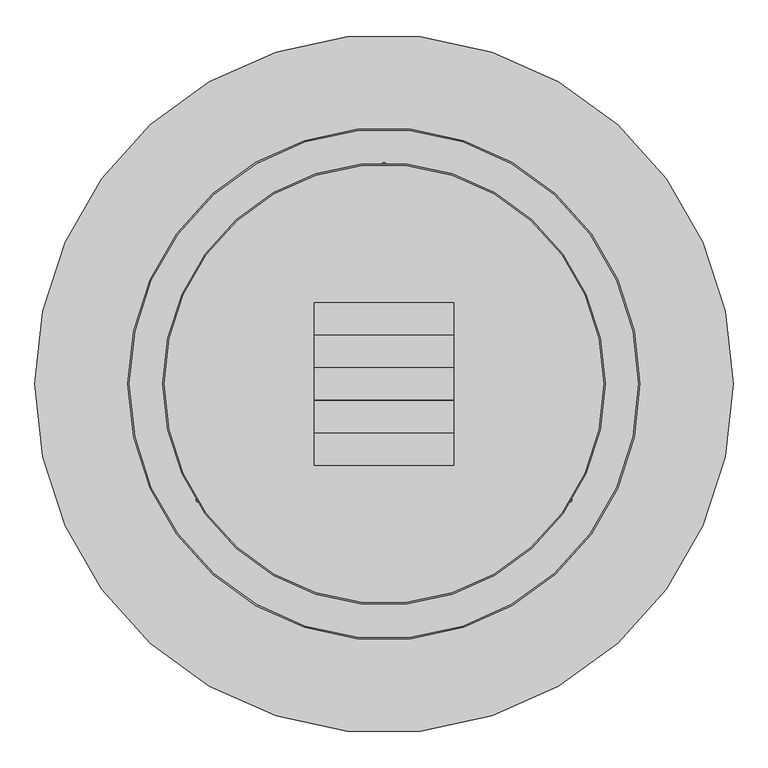
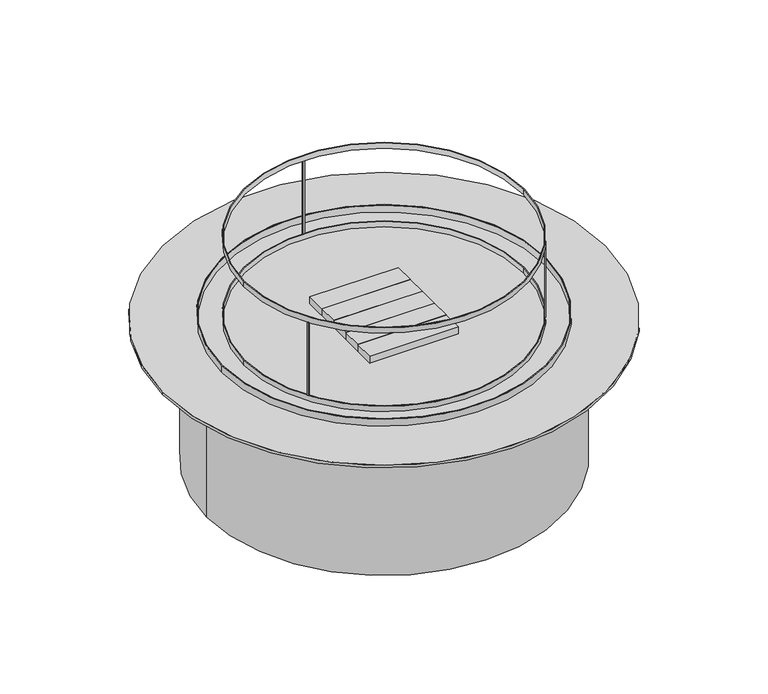
"""IFC4 building model written with IfcOpenShell, lengths in millimetres: proxy geometry."""

from ifc_helpers import new_model, si_unit, point, frame, origin, origin_with_axes, origin_2d, place, context, project, spatial, polyline, circle_curve, trimmed, segment, composite_curve, outline, extrude, source, transform, mapped, element, save


def generic_models_8eae3d3a(model_context):
    return source(origin(), model_context, "Body", "SweptSolid", [
        extrude(outline(composite_curve([segment(trimmed(circle_curve(origin_2d(), 482.6), [point((-407.5766604, -258.426055))], [point((-410.9416477, -253.0409496))], False, "CARTESIAN"), True, "CONTINUOUS"), segment(polyline([(-410.9416477, -253.0409496), (-408.2490363, -251.3584193)]), True, "CONTINUOUS"), segment(trimmed(circle_curve(origin_2d(), 479.425), [point((-408.2490363, -251.3584193))], [point((-404.884049, -256.7435247))], True, "CARTESIAN"), True, "CONTINUOUS"), segment(polyline([(-404.884049, -256.7435247), (-407.5766604, -258.426055)]), True, "CONTINUOUS")], self_intersect=False)), frame((0.0, 0.0, 527.05), z_axis=(0.0, 0.0, 1.0), x_axis=(1.0, 0.0, 0.0)), (0.0, 0.0, 1.0), 266.7),
        extrude(outline(composite_curve([segment(trimmed(circle_curve(origin_2d(), 482.6), [point((410.9416477, -253.0409496))], [point((407.5766604, -258.426055))], False, "CARTESIAN"), True, "CONTINUOUS"), segment(polyline([(407.5766604, -258.426055), (404.884049, -256.7435247)]), True, "CONTINUOUS"), segment(trimmed(circle_curve(origin_2d(), 479.425), [point((404.884049, -256.7435247))], [point((408.2490363, -251.3584193))], True, "CARTESIAN"), True, "CONTINUOUS"), segment(polyline([(408.2490363, -251.3584193), (410.9416477, -253.0409496)]), True, "CONTINUOUS")], self_intersect=False)), frame((0.0, 0.0, 527.05), z_axis=(0.0, 0.0, 1.0), x_axis=(1.0, 0.0, 0.0)), (0.0, 0.0, 1.0), 266.7),
        extrude(outline(composite_curve([segment(trimmed(circle_curve(origin_2d(), 482.6), [point((-3.175, 482.5895558))], [point((3.175, 482.5895558))], False, "CARTESIAN"), True, "CONTINUOUS"), segment(polyline([(3.175, 482.5895558), (3.175, 479.4144866)]), True, "CONTINUOUS"), segment(trimmed(circle_curve(origin_2d(), 479.425), [point((3.175, 479.4144866))], [point((-3.175, 479.4144866))], True, "CARTESIAN"), True, "CONTINUOUS"), segment(polyline([(-3.175, 479.4144866), (-3.175, 482.5895558)]), True, "CONTINUOUS")], self_intersect=False)), frame((0.0, 0.0, 527.05), z_axis=(0.0, 0.0, 1.0), x_axis=(1.0, 0.0, 0.0)), (0.0, 0.0, 1.0), 266.7),
        extrude(outline(composite_curve([segment(trimmed(circle_curve(origin_2d(), 482.6), [point((-482.6, 0.0))], [point((482.6, 0.0))], False, "CARTESIAN"), True, "CONTINUOUS"), segment(trimmed(circle_curve(origin_2d(), 482.6), [point((482.6, 0.0))], [point((-482.6, 0.0))], False, "CARTESIAN"), True, "CONTINUOUS")], self_intersect=False), holes=[composite_curve([segment(trimmed(circle_curve(origin_2d(), 479.425), [point((-479.425, 0.0))], [point((479.425, 0.0))], True, "CARTESIAN"), True, "CONTINUOUS"), segment(trimmed(circle_curve(origin_2d(), 479.425), [point((479.425, 0.0))], [point((-479.425, 0.0))], True, "CARTESIAN"), True, "CONTINUOUS")], self_intersect=False)]), frame((0.0, 0.0, 793.75), z_axis=(0.0, 0.0, 1.0), x_axis=(1.0, 0.0, 0.0)), (0.0, 0.0, 1.0), 19.05),
        extrude(outline(composite_curve([segment(trimmed(circle_curve(origin_2d(), 482.6), [point((-482.6, 0.0))], [point((482.6, 0.0))], False, "CARTESIAN"), True, "CONTINUOUS"), segment(trimmed(circle_curve(origin_2d(), 482.6), [point((482.6, 0.0))], [point((-482.6, 0.0))], False, "CARTESIAN"), True, "CONTINUOUS")], self_intersect=False), holes=[composite_curve([segment(trimmed(circle_curve(origin_2d(), 479.425), [point((-479.425, 0.0))], [point((479.425, 0.0))], True, "CARTESIAN"), True, "CONTINUOUS"), segment(trimmed(circle_curve(origin_2d(), 479.425), [point((479.425, 0.0))], [point((-479.425, 0.0))], True, "CARTESIAN"), True, "CONTINUOUS")], self_intersect=False)]), frame((0.0, 0.0, 508.0), z_axis=(0.0, 0.0, 1.0), x_axis=(1.0, 0.0, 0.0)), (0.0, 0.0, 1.0), 19.05),
        extrude(outline(composite_curve([segment(trimmed(circle_curve(origin_2d(), 558.8), [point((-558.8, 0.0))], [point((558.8, 0.0))], False, "CARTESIAN"), True, "CONTINUOUS"), segment(trimmed(circle_curve(origin_2d(), 558.8), [point((558.8, 0.0))], [point((-558.8, 0.0))], False, "CARTESIAN"), True, "CONTINUOUS")], self_intersect=False), holes=[composite_curve([segment(trimmed(circle_curve(origin_2d(), 555.625), [point((-555.625, 0.0))], [point((555.625, 0.0))], True, "CARTESIAN"), True, "CONTINUOUS"), segment(trimmed(circle_curve(origin_2d(), 555.625), [point((555.625, 0.0))], [point((-555.625, 0.0))], True, "CARTESIAN"), True, "CONTINUOUS")], self_intersect=False)]), frame((0.0, 0.0, 508.0), z_axis=(0.0, 0.0, 1.0), x_axis=(1.0, 0.0, 0.0)), (0.0, 0.0, 1.0), 25.4),
        extrude(outline(polyline([(152.4, 107.823), (-152.4, 107.823), (-152.4, 177.673), (152.4, 177.673), (152.4, 107.823)])), frame((0.0, 0.0, 508.0), z_axis=(0.0, 0.0, 1.0), x_axis=(1.0, 0.0, 0.0)), (0.0, 0.0, 1.0), 25.4),
        extrude(outline(polyline([(152.4, 36.449), (-152.4, 36.449), (-152.4, 106.299), (152.4, 106.299), (152.4, 36.449)])), frame((0.0, 0.0, 508.0), z_axis=(0.0, 0.0, 1.0), x_axis=(1.0, 0.0, 0.0)), (0.0, 0.0, 1.0), 25.4),
        extrude(outline(polyline([(152.4, -34.925), (-152.4, -34.925), (-152.4, 34.925), (152.4, 34.925), (152.4, -34.925)])), frame((0.0, 0.0, 508.0), z_axis=(0.0, 0.0, 1.0), x_axis=(1.0, 0.0, 0.0)), (0.0, 0.0, 1.0), 25.4),
        extrude(outline(polyline([(152.4, -106.299), (-152.4, -106.299), (-152.4, -36.449), (152.4, -36.449), (152.4, -106.299)])), frame((0.0, 0.0, 508.0), z_axis=(0.0, 0.0, 1.0), x_axis=(1.0, 0.0, 0.0)), (0.0, 0.0, 1.0), 25.4),
        extrude(outline(polyline([(152.4, -177.673), (-152.4, -177.673), (-152.4, -107.823), (152.4, -107.823), (152.4, -177.673)])), frame((0.0, 0.0, 508.0), z_axis=(0.0, 0.0, 1.0), x_axis=(1.0, 0.0, 0.0)), (0.0, 0.0, 1.0), 25.4),
        extrude(outline(composite_curve([segment(trimmed(circle_curve(origin_2d(), 762.0), [point((-762.0, 0.0))], [point((762.0, 0.0))], False, "CARTESIAN"), True, "CONTINUOUS"), segment(trimmed(circle_curve(origin_2d(), 762.0), [point((762.0, 0.0))], [point((-762.0, 0.0))], False, "CARTESIAN"), True, "CONTINUOUS")], self_intersect=False)), frame((0.0, 0.0, 498.475), z_axis=(0.0, 0.0, 1.0), x_axis=(1.0, 0.0, 0.0)), (0.0, 0.0, 1.0), 9.525),
        extrude(outline(composite_curve([segment(trimmed(circle_curve(origin_2d(), 609.6), [point((-609.6, 0.0))], [point((609.6, 0.0))], False, "CARTESIAN"), True, "CONTINUOUS"), segment(trimmed(circle_curve(origin_2d(), 609.6), [point((609.6, 0.0))], [point((-609.6, 0.0))], False, "CARTESIAN"), True, "CONTINUOUS")], self_intersect=False)), origin_with_axes(), (0.0, 0.0, 1.0), 498.475),
    ])


if __name__ == "__main__":
    model = new_model("IFC4")
    model_context = context("Model", 3, world=origin())
    ifc_project = project(units=[si_unit("LENGTHUNIT", "METRE", prefix="MILLI")], contexts=[model_context])
    site = spatial("IfcSite", under=ifc_project)
    building = spatial("IfcBuilding", under=site)
    placement = place(None, origin())
    generic_models_shape = generic_models_8eae3d3a(model_context)
    element("IfcBuildingElementProxy", 1, Name="Generic Models", at=placement, inside=building, context=model_context, shape_type="MappedRepresentation", body=[
        mapped(generic_models_shape, transform((0.0, 0.0, 0.0), x_axis=(1.0, 0.0, 0.0), y_axis=(0.0, 1.0, 0.0), z_axis=(0.0, 0.0, 1.0))),
    ])
    save(model, "model.ifc")
